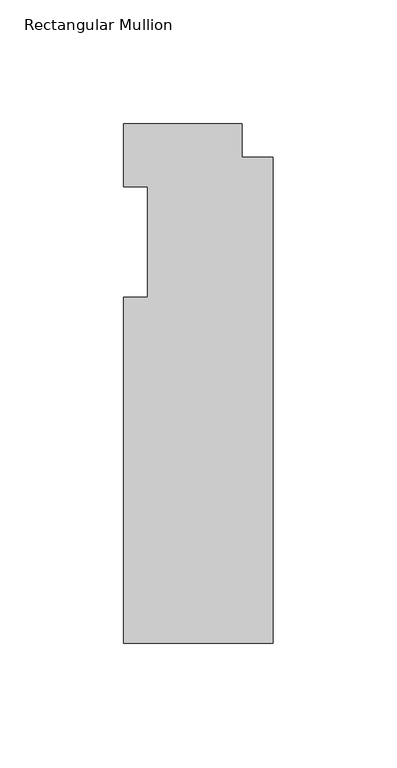
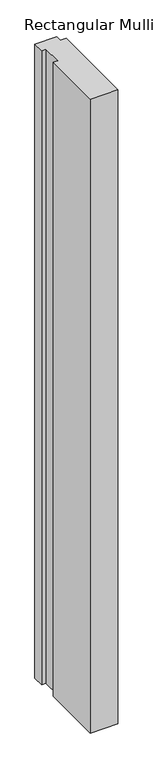
"""IFC4 building model written with IfcOpenShell, lengths in millimetres: member geometry, Rectangular Mullion."""

from ifc_helpers import new_model, si_unit, frame, origin, place, context, project, spatial, polyline, outline, extrude, source, transform, mapped, element, save


def rectangular_mullion_39fe86c0(model_context):
    return source(origin(), model_context, "Body", "SweptSolid", [
        extrude(outline(polyline([(-60.325, -22.225), (-50.8, -22.225), (-50.8, 22.225), (-60.325, 22.225), (-60.325, 47.625), (-12.7, 47.625), (-12.7, 34.13125), (0.0, 34.13125), (0.0, -161.925), (-60.325, -161.925), (-60.325, -22.225)])), frame((0.0, 0.0, -1463.675), z_axis=(0.0, 0.0, 1.0), x_axis=(1.0, 0.0, 0.0)), (0.0, 0.0, 1.0), 1463.675),
    ])


if __name__ == "__main__":
    model = new_model("IFC4")
    model_context = context("Model", 3, world=origin())
    ifc_project = project(units=[si_unit("LENGTHUNIT", "METRE", prefix="MILLI")], contexts=[model_context])
    site = spatial("IfcSite", under=ifc_project)
    building = spatial("IfcBuilding", under=site)
    placement = place(None, origin())
    rectangular_mullion_shape = rectangular_mullion_39fe86c0(model_context)
    element("IfcMember", 1, ObjectType="Rectangular Mullion", at=placement, inside=building, context=model_context, shape_type="MappedRepresentation", body=[
        mapped(rectangular_mullion_shape, transform((0.0, 0.0, 0.0), x_axis=(1.0, 0.0, 0.0), y_axis=(0.0, 1.0, 0.0), z_axis=(0.0, 0.0, 1.0))),
    ])
    save(model, "model.ifc")
